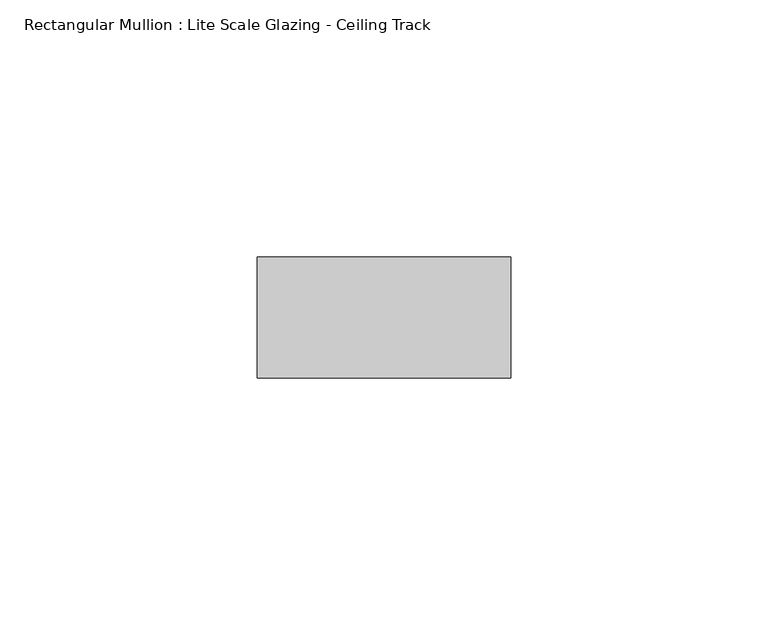
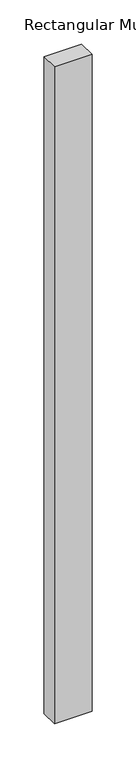
"""IFC4 building model written with IfcOpenShell, lengths in millimetres: member geometry, Rectangular Mullion : Lite Scale Glazing - Ceiling Track."""

import ifcopenshell
import ifcopenshell.guid

model = None  # the IFC model being written
_history = None  # IfcOwnerHistory: only IFC2X3 demands one
_inside = {}  # id of a spatial element -> (the spatial element, [elements in it])
_under = {}  # id of a project, library or spatial element -> (it, [spatial elements below it])
_declared = {}  # id of a project -> (the project, [libraries it declares])
_typed = {}  # id of a type object -> (the type object, [elements of that type])
_made_of = {}  # id of a material, layer set ... -> (it, [elements and type objects made of it])


def new_model(schema):
    """Start an empty IFC model of exactly this schema.

    Asked for "IFC4X3", IfcOpenShell would pick the latest addendum, in which some entities
    have other attributes; the version numbers below select the first issue.
    IFC2X3 requires an IfcOwnerHistory on every rooted entity: one is made here for all.
    """
    global model, _history
    if schema == "IFC4X3":
        model = ifcopenshell.file(schema_version=(4, 3, 0, 0))
    else:
        model = ifcopenshell.file(schema=schema)
    _inside.clear()
    _under.clear()
    _declared.clear()
    _typed.clear()
    _made_of.clear()
    _history = None
    if model.schema == "IFC2X3":
        org = make("IfcOrganization", Name="unknown")
        user = make(
            "IfcPersonAndOrganization",
            ThePerson=make("IfcPerson", FamilyName="unknown"),
            TheOrganization=org,
        )
        app = make(
            "IfcApplication",
            ApplicationDeveloper=org,
            Version="unknown",
            ApplicationFullName="unknown",
            ApplicationIdentifier="unknown",
        )
        _history = make(
            "IfcOwnerHistory",
            OwningUser=user,
            OwningApplication=app,
            ChangeAction="ADDED",
            CreationDate=0,
        )
    return model


def make(cls, **values):
    """One entity of the class cls with the attributes given. An attribute that is None is left unset."""
    return model.create_entity(
        cls, **{name: value for name, value in values.items() if value is not None}
    )


def rooted(cls, **values):
    """An entity with a GlobalId (a new one), such as an element, a storey or a relation."""
    return make(cls, GlobalId=ifcopenshell.guid.new(), OwnerHistory=_history, **values)


def si_unit(unit_type, name, prefix=None):
    """IfcSIUnit, for example si_unit("LENGTHUNIT", "METRE", prefix="MILLI")."""
    return make("IfcSIUnit", UnitType=unit_type, Prefix=prefix, Name=name)


def assignment(units):
    """IfcUnitAssignment: the units of a project."""
    return None if units is None else make("IfcUnitAssignment", Units=units)


def point(xyz):
    """IfcCartesianPoint."""
    return None if xyz is None else make("IfcCartesianPoint", Coordinates=xyz)


def direction(xyz):
    """IfcDirection."""
    return None if xyz is None else make("IfcDirection", DirectionRatios=xyz)


def frame(location, z_axis=None, x_axis=None):
    """IfcAxis2Placement3D, a coordinate frame: its origin and axes. An axis left out is left unset."""
    return make(
        "IfcAxis2Placement3D",
        Location=point(location),
        Axis=direction(z_axis),
        RefDirection=direction(x_axis),
    )


def origin():
    """The frame at (0, 0, 0) with its axes left unset."""
    return frame((0.0, 0.0, 0.0))


def place(relative_to, where):
    """IfcLocalPlacement: puts the frame where relative to a parent placement (None: the world)."""
    return make(
        "IfcLocalPlacement", PlacementRelTo=relative_to, RelativePlacement=where
    )


def context(
    kind, dimensions, precision=None, world=None, true_north=None, identifier=None
):
    """IfcGeometricRepresentationContext, for example the 3D "Model" context."""
    return make(
        "IfcGeometricRepresentationContext",
        ContextIdentifier=identifier,
        ContextType=kind,
        CoordinateSpaceDimension=dimensions,
        Precision=precision,
        WorldCoordinateSystem=world,
        TrueNorth=true_north,
    )


def project(units=None, contexts=None):
    """IfcProject with its units and contexts."""
    return rooted(
        "IfcProject",
        Name="project",
        RepresentationContexts=contexts,
        UnitsInContext=assignment(units),
    )


def spatial(cls, under=None, at=None, **own):
    """A site, building, storey or space (cls), placed at a placement, below another one or the project."""
    s = rooted(cls, ObjectPlacement=at, **own)
    if under is not None:
        _under.setdefault(under.id(), (under, []))[1].append(s)
    return s


def polyline(points):
    """IfcPolyline through the points."""
    return make("IfcPolyline", Points=[point(p) for p in points])


def outline(outer, holes=None, kind="AREA"):
    """IfcArbitraryClosedProfileDef: a profile drawn as a closed curve; with holes, ...WithVoids."""
    if holes is None:
        return make("IfcArbitraryClosedProfileDef", ProfileType=kind, OuterCurve=outer)
    return make(
        "IfcArbitraryProfileDefWithVoids",
        ProfileType=kind,
        OuterCurve=outer,
        InnerCurves=holes,
    )


def extrude(swept, where, along, depth):
    """IfcExtrudedAreaSolid: the profile swept, set in the frame where, extruded along a direction by depth."""
    return make(
        "IfcExtrudedAreaSolid",
        SweptArea=swept,
        Position=where,
        ExtrudedDirection=direction(along),
        Depth=depth,
    )


def shape(context_of_items, identifier, shape_type, items):
    """IfcShapeRepresentation: the items that make up one representation, for example the "Body"."""
    return make(
        "IfcShapeRepresentation",
        ContextOfItems=context_of_items,
        RepresentationIdentifier=identifier,
        RepresentationType=shape_type,
        Items=items,
    )


def source(mapping_origin, context_of_items, identifier, shape_type, items):
    """IfcRepresentationMap: a shape defined once, which mapped items show again and again."""
    return make(
        "IfcRepresentationMap",
        MappingOrigin=mapping_origin,
        MappedRepresentation=shape(context_of_items, identifier, shape_type, items),
    )


def transform(
    local_origin,
    x_axis=None,
    y_axis=None,
    z_axis=None,
    scale=None,
    scale2=None,
    scale3=None,
    uniform=True,
):
    """IfcCartesianTransformationOperator3D, or its non-uniform kind. x_axis, y_axis, z_axis: its Axis1, 2, 3."""
    if uniform:
        return make(
            "IfcCartesianTransformationOperator3D",
            Axis1=direction(x_axis),
            Axis2=direction(y_axis),
            LocalOrigin=point(local_origin),
            Scale=scale,
            Axis3=direction(z_axis),
        )
    return make(
        "IfcCartesianTransformationOperator3DnonUniform",
        Axis1=direction(x_axis),
        Axis2=direction(y_axis),
        LocalOrigin=point(local_origin),
        Scale=scale,
        Axis3=direction(z_axis),
        Scale2=scale2,
        Scale3=scale3,
    )


def mapped(mapping_source, mapping_target):
    """IfcMappedItem: shows the shape of a source again, moved by a transform."""
    return make(
        "IfcMappedItem", MappingSource=mapping_source, MappingTarget=mapping_target
    )


def made_of(thing, what):
    """Note that an element or type object is made of a material, layer set ...; save() writes the relation."""
    if what is not None:
        _made_of.setdefault(what.id(), (what, []))[1].append(thing)
    return thing


def element(
    cls,
    number,
    at=None,
    inside=None,
    cuts=None,
    type_object=None,
    material=None,
    context=None,
    identifier="Body",
    shape_type=None,
    held_by="IfcProductDefinitionShape",
    body=None,
    shapes=None,
    **own,
):
    """One element of the class cls, such as IfcWall. Its Tag is "e" and its number.

    at: its placement. inside: the storey or other place that contains it. cuts: it is an
    opening in that element (IfcRelVoidsElement). A single representation is given by context,
    identifier, shape_type and body (its items); several are given by shapes. held_by: the class
    of the entity that holds the representations. save() writes the other relations.
    """
    e = rooted(cls, Tag="e%d" % number, ObjectPlacement=at, **own)
    if body is not None:
        shapes = [shape(context, identifier, shape_type, body)]
    if shapes is not None:
        e.Representation = make(held_by, Representations=shapes)
    if inside is not None:
        _inside.setdefault(inside.id(), (inside, []))[1].append(e)
    if cuts is not None:
        rooted(
            "IfcRelVoidsElement", RelatingBuildingElement=cuts, RelatedOpeningElement=e
        )
    if type_object is not None:
        _typed.setdefault(type_object.id(), (type_object, []))[1].append(e)
    return made_of(e, material)


def aggregate(whole, parts):
    """IfcRelAggregates: a whole, such as a stair, and the parts it consists of."""
    return rooted("IfcRelAggregates", RelatingObject=whole, RelatedObjects=parts)


def save(model, path):
    """Write the relations noted so far, then the file.

    IfcRelAggregates (storeys below a building ...), IfcRelContainedInSpatialStructure (elements
    in a storey), IfcRelDefinesByType, IfcRelAssociatesMaterial and IfcRelDeclares: one each for
    every whole, place, type object, material and project.
    """
    for whole, parts in _under.values():
        aggregate(whole, parts)
    for where, things in _inside.values():
        rooted(
            "IfcRelContainedInSpatialStructure",
            RelatedElements=things,
            RelatingStructure=where,
        )
    for kind, things in _typed.values():
        rooted("IfcRelDefinesByType", RelatedObjects=things, RelatingType=kind)
    for what, things in _made_of.values():
        rooted("IfcRelAssociatesMaterial", RelatedObjects=things, RelatingMaterial=what)
    for by, libraries in _declared.values():
        rooted("IfcRelDeclares", RelatingContext=by, RelatedDefinitions=libraries)
    model.write(path)


def rectangular_mullion_lite_scale_glazing_ceiling_track_243a1a9c(model_context):
    return source(origin(), model_context, "Body", "SweptSolid", [
        extrude(outline(polyline([(-49.276, -11.7474999), (-49.276, 11.7474999), (0.0, 11.7474999), (0.0, -11.7474999), (-49.276, -11.7474999)])), frame((0.0, 0.0, -908.05), z_axis=(0.0, 0.0, 1.0), x_axis=(1.0, 0.0, 0.0)), (0.0, 0.0, 1.0), 908.05),
    ])


if __name__ == "__main__":
    model = new_model("IFC4")
    model_context = context("Model", 3, world=origin())
    ifc_project = project(units=[si_unit("LENGTHUNIT", "METRE", prefix="MILLI")], contexts=[model_context])
    site = spatial("IfcSite", under=ifc_project)
    building = spatial("IfcBuilding", under=site)
    placement = place(None, origin())
    rectangular_mullion_lite_scale_glazing_ceiling_track_shape = rectangular_mullion_lite_scale_glazing_ceiling_track_243a1a9c(model_context)
    element("IfcMember", 1, ObjectType="Rectangular Mullion : Lite Scale Glazing - Ceiling Track", at=placement, inside=building, context=model_context, shape_type="MappedRepresentation", body=[
        mapped(rectangular_mullion_lite_scale_glazing_ceiling_track_shape, transform((0.0, 0.0, 0.0), x_axis=(1.0, 0.0, 0.0), y_axis=(0.0, 1.0, 0.0), z_axis=(0.0, 0.0, 1.0))),
    ])
    save(model, "model.ifc")
